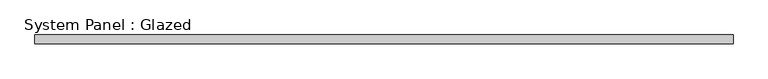
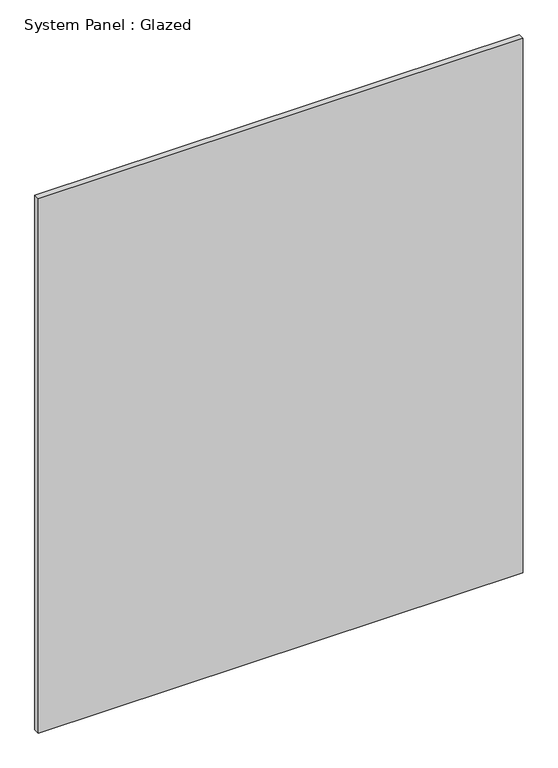
"""IFC4 building model written with IfcOpenShell, lengths in millimetres: plate geometry, System Panel : Glazed."""

from ifc_helpers import new_model, si_unit, origin, origin_with_axes, place, context, project, spatial, polyline, outline, extrude, source, transform, mapped, element, save


def system_panel_glazed_ffd176b6(model_context):
    return source(origin(), model_context, "Body", "SweptSolid", [
        extrude(outline(polyline([(1019.175, 19.05), (-1019.175, 19.05), (-1019.175, 44.45), (1019.175, 44.45), (1019.175, 19.05)])), origin_with_axes(), (0.0, 0.0, 1.0), 2374.9),
    ])


if __name__ == "__main__":
    model = new_model("IFC4")
    model_context = context("Model", 3, world=origin())
    ifc_project = project(units=[si_unit("LENGTHUNIT", "METRE", prefix="MILLI")], contexts=[model_context])
    site = spatial("IfcSite", under=ifc_project)
    building = spatial("IfcBuilding", under=site)
    placement = place(None, origin())
    system_panel_glazed_shape = system_panel_glazed_ffd176b6(model_context)
    element("IfcPlate", 1, ObjectType="System Panel : Glazed", at=placement, inside=building, context=model_context, shape_type="MappedRepresentation", body=[
        mapped(system_panel_glazed_shape, transform((0.0, 0.0, 0.0), x_axis=(1.0, 0.0, 0.0), y_axis=(0.0, 1.0, 0.0), z_axis=(0.0, 0.0, 1.0))),
    ])
    save(model, "model.ifc")
